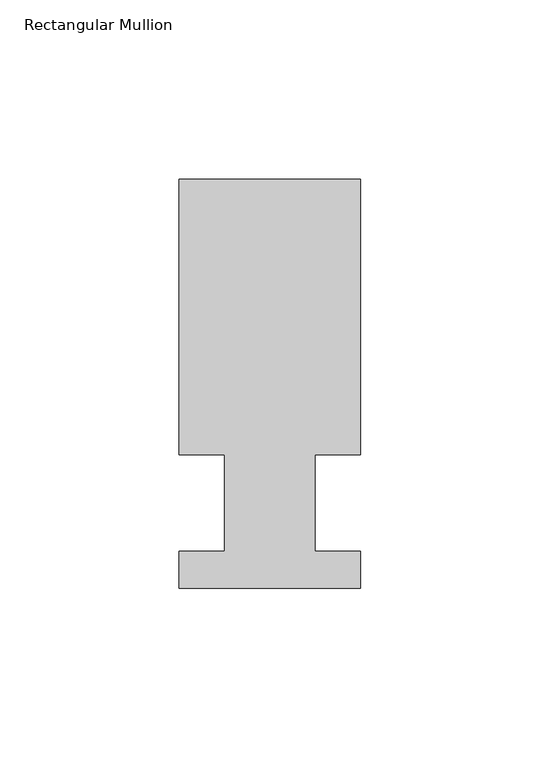
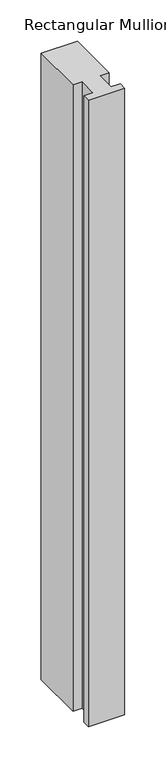
"""IFC4 building model written with IfcOpenShell, lengths in millimetres: member geometry, Rectangular Mullion."""

from ifc_helpers import new_model, si_unit, frame, origin, place, context, project, spatial, polyline, outline, extrude, source, transform, mapped, element, save


def rectangular_mullion_a20f3c36(model_context):
    return source(origin(), model_context, "Body", "SweptSolid", [
        extrude(outline(polyline([(29.7344027, 90.4875), (29.7344027, 13.49375), (17.0326322, 13.49375), (17.0326322, -13.49375), (29.7344027, -13.49375), (29.7344027, -23.8125), (-21.0655973, -23.8125), (-21.0655973, -13.49375), (-8.3655973, -13.49375), (-8.3655973, 13.49375), (-21.0655973, 13.49375), (-21.0655973, 90.4875), (29.7344027, 90.4875)])), frame((0.0, 0.0, -925.9405973), z_axis=(0.0, 0.0, 1.0), x_axis=(1.0, 0.0, 0.0)), (0.0, 0.0, 1.0), 925.9405973),
    ])


if __name__ == "__main__":
    model = new_model("IFC4")
    model_context = context("Model", 3, world=origin())
    ifc_project = project(units=[si_unit("LENGTHUNIT", "METRE", prefix="MILLI")], contexts=[model_context])
    site = spatial("IfcSite", under=ifc_project)
    building = spatial("IfcBuilding", under=site)
    placement = place(None, origin())
    rectangular_mullion_shape = rectangular_mullion_a20f3c36(model_context)
    element("IfcMember", 1, ObjectType="Rectangular Mullion", at=placement, inside=building, context=model_context, shape_type="MappedRepresentation", body=[
        mapped(rectangular_mullion_shape, transform((0.0, 0.0, 0.0), x_axis=(1.0, 0.0, 0.0), y_axis=(0.0, 1.0, 0.0), z_axis=(0.0, 0.0, 1.0))),
    ])
    save(model, "model.ifc")
